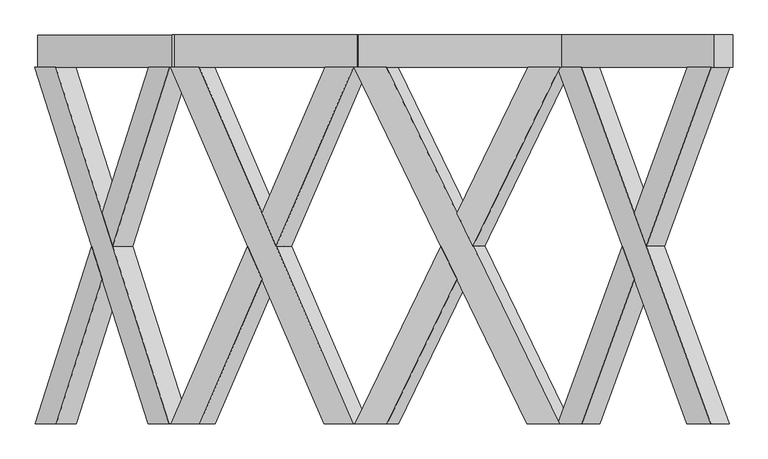
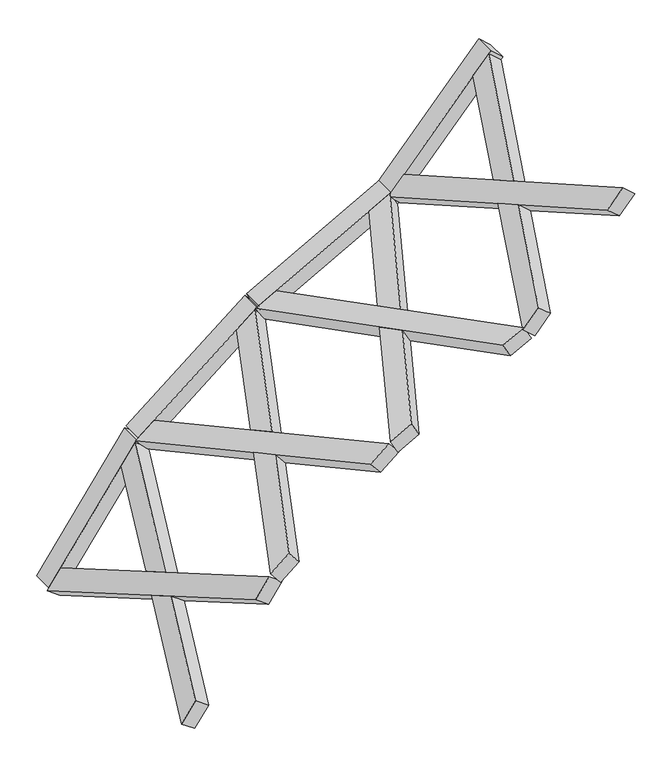
"""IFC4 building model written with IfcOpenShell, lengths in millimetres: proxy geometry."""

from ifc_helpers import new_model, si_unit, frame, origin, place, context, project, spatial, polyline, outline, extrude, faceted_brep, source, transform, mapped, element, save


def generic_models_58216fec(model_context):
    return source(origin(), model_context, "Body", "SolidModel", [
        faceted_brep([(4245.0146552, -100.0, 3854.0572182), (3437.8056563, -2319.6837757, 2925.4694878), (3287.7841044, -2319.6837757, 2752.889434), (4094.9931033, -100.0, 3681.4771644), (3174.5776674, -2319.6837757, 2851.2982884), (3324.5992193, -2319.6837757, 3023.8783421), (3651.637575, -1420.3854116, 3400.0929345), (3576.626799, -1214.1188776, 3313.8029076), (4131.8082182, -100.0, 3952.4660725), (3981.7866663, -100.0, 3779.8860188), (3651.637575, -1007.8523437, 3400.0929345), (3726.648351, -1214.1188776, 3486.3829613), (3633.2300176, -1214.1188776, 3264.5984804), (3708.2407935, -1007.8523437, 3350.8885073), (3783.2515695, -1214.1188776, 3437.1785342), (3708.2407935, -1420.3854116, 3350.8885073)], [[[0, 1, 2, 3]], [[4, 5, 6, 7]], [[8, 9, 10, 11]], [[0, 3, 9, 8]], [[3, 2, 4, 7, 12, 13, 10, 9]], [[2, 1, 5, 4]], [[1, 0, 8, 11, 14, 15, 6, 5]], [[12, 15, 14, 13]], [[13, 14, 11, 10]], [[15, 12, 7, 6]]]),
        faceted_brep([(3284.6733688, -100.0, 2749.3109421), (3434.6949207, -100.0, 2921.8909958), (3764.844012, -1007.8523437, 3301.6840801), (3689.8332361, -1214.1188776, 3215.3940533), (4241.9039197, -2319.6837757, 3850.4787262), (4091.8823678, -2319.6837757, 3677.8986725), (3764.844012, -1420.3854116, 3301.6840801), (3839.854788, -1214.1188776, 3387.974107), (3171.4669318, -100.0, 2847.7197965), (3978.6759307, -2319.6837757, 3776.3075269), (4128.6974826, -2319.6837757, 3948.8875806), (3321.4884837, -100.0, 3020.2998502), (3783.2515695, -1214.1188776, 3437.1785342), (3708.2407935, -1007.8523437, 3350.8885073), (3633.2300176, -1214.1188776, 3264.5984804), (3708.2407935, -1420.3854116, 3350.8885073)], [[[0, 1, 2, 3]], [[4, 5, 6, 7]], [[8, 9, 10, 11]], [[1, 0, 8, 11]], [[11, 10, 4, 7, 12, 13, 2, 1]], [[5, 4, 10, 9]], [[9, 8, 0, 3, 14, 15, 6, 5]], [[12, 15, 14, 13]], [[13, 14, 3, 2]], [[15, 12, 7, 6]]]),
        extrude(outline(polyline([(-148.3871943, 0.0), (-148.3871943, -149.9999999), (-348.3871943, -149.9999999), (-348.3871943, 0.0), (-148.3871943, 0.0)])), frame((3305.6026917, -248.3871943, 2773.387374), z_axis=(0.6560590289905103, 0.0, 0.7547095802227695), x_axis=(0.0, -1.0, 0.0)), (0.0, 0.0, 1.0), 1460.0),
        faceted_brep([(3260.7847673, -100.0, 2743.3729412), (2184.6607189, -2319.6837757, 2146.8676407), (1984.6607189, -2319.6837757, 2036.0058304), (3060.7847673, -100.0, 2632.5111309), (1911.9392759, -2319.6837757, 2167.1987865), (2111.9392759, -2319.6837757, 2278.0605968), (2547.9277743, -1420.3854116, 2519.7329678), (2447.9277743, -1214.1188776, 2464.3020627), (3188.0633243, -100.0, 2874.5658973), (2988.0633243, -100.0, 2763.704087), (2547.9277743, -1007.8523437, 2519.7329678), (2647.9277743, -1214.1188776, 2575.1638729), (2484.2884958, -1214.1188776, 2398.7055846), (2584.2884958, -1007.8523437, 2454.1364898), (2684.2884958, -1214.1188776, 2509.5673949), (2584.2884958, -1420.3854116, 2454.1364898)], [[[0, 1, 2, 3]], [[4, 5, 6, 7]], [[8, 9, 10, 11]], [[0, 3, 9, 8]], [[3, 2, 4, 7, 12, 13, 10, 9]], [[2, 1, 5, 4]], [[1, 0, 8, 11, 14, 15, 6, 5]], [[12, 15, 14, 13]], [[13, 14, 11, 10]], [[15, 12, 7, 6]]]),
        faceted_brep([(1980.5136673, -100.0, 2033.7070822), (2180.5136673, -100.0, 2144.5688925), (2620.6492173, -1007.8523437, 2388.5400117), (2520.6492173, -1214.1188776, 2333.1091066), (3256.6377157, -2319.6837757, 2741.074193), (3056.6377157, -2319.6837757, 2630.2123827), (2620.6492173, -1420.3854116, 2388.5400117), (2720.6492173, -1214.1188776, 2443.9709169), (1907.7922243, -100.0, 2164.9000383), (2983.9162727, -2319.6837757, 2761.4053388), (3183.9162727, -2319.6837757, 2872.2671491), (2107.7922243, -100.0, 2275.7618486), (2684.2884958, -1214.1188776, 2509.5673949), (2584.2884958, -1007.8523437, 2454.1364898), (2484.2884958, -1214.1188776, 2398.7055846), (2584.2884958, -1420.3854116, 2454.1364898)], [[[0, 1, 2, 3]], [[4, 5, 6, 7]], [[8, 9, 10, 11]], [[1, 0, 8, 11]], [[11, 10, 4, 7, 12, 13, 2, 1]], [[5, 4, 10, 9]], [[9, 8, 0, 3, 14, 15, 6, 5]], [[12, 15, 14, 13]], [[13, 14, 3, 2]], [[15, 12, 7, 6]]]),
        extrude(outline(polyline([(0.0, -200.0), (0.0, 0.0), (1460.0, 0.0), (1460.0, -200.0), (0.0, -200.0)])), frame((3285.3601947, -100.0, 2756.9953231), z_axis=(-0.48480962024633434, 0.0, 0.8746197071393974), x_axis=(-0.8746197071393974, 0.0, -0.48480962024633434)), (0.0, 0.0, 1.0), 150.0),
        faceted_brep([(1997.4171604, -100.0, 2038.800903), (1041.2239128, -2319.6837757, 1264.4908784), (863.5133135, -2319.6837757, 1120.5836726), (1819.7065612, -100.0, 1894.8936972), (769.1152549, -2319.6837757, 1237.1555668), (946.8258541, -2319.6837757, 1381.0627726), (1334.2247408, -1420.3854116, 1694.7722055), (1245.3694411, -1214.1188776, 1622.8186026), (1903.0191018, -100.0, 2155.3727972), (1725.3085025, -100.0, 2011.4655914), (1334.2247408, -1007.8523437, 1694.7722055), (1423.0800404, -1214.1188776, 1766.7258084), (1292.5684705, -1214.1188776, 1564.5326555), (1381.4237701, -1007.8523437, 1636.4862584), (1470.2790697, -1214.1188776, 1708.4398613), (1381.4237701, -1420.3854116, 1636.4862584)], [[[0, 1, 2, 3]], [[4, 5, 6, 7]], [[8, 9, 10, 11]], [[0, 3, 9, 8]], [[3, 2, 4, 7, 12, 13, 10, 9]], [[2, 1, 5, 4]], [[1, 0, 8, 11, 14, 15, 6, 5]], [[12, 15, 14, 13]], [[13, 14, 11, 10]], [[15, 12, 7, 6]]]),
        faceted_brep([(859.8284384, -100.0, 1117.5997196), (1037.5390377, -100.0, 1261.5069254), (1428.6227994, -1007.8523437, 1578.2003113), (1339.7674998, -1214.1188776, 1506.2467084), (1993.7322853, -2319.6837757, 2035.81695), (1816.0216861, -2319.6837757, 1891.9097442), (1428.6227994, -1420.3854116, 1578.2003113), (1517.4780991, -1214.1188776, 1650.1539142), (765.4303798, -100.0, 1234.1716138), (1721.6236274, -2319.6837757, 2008.4816384), (1899.3342267, -2319.6837757, 2152.3888442), (943.140979, -100.0, 1378.0788196), (1470.2790697, -1214.1188776, 1708.4398613), (1381.4237701, -1007.8523437, 1636.4862584), (1292.5684705, -1214.1188776, 1564.5326555), (1381.4237701, -1420.3854116, 1636.4862584)], [[[0, 1, 2, 3]], [[4, 5, 6, 7]], [[8, 9, 10, 11]], [[1, 0, 8, 11]], [[11, 10, 4, 7, 12, 13, 2, 1]], [[5, 4, 10, 9]], [[9, 8, 0, 3, 14, 15, 6, 5]], [[12, 15, 14, 13]], [[13, 14, 3, 2]], [[15, 12, 7, 6]]]),
        extrude(outline(polyline([(0.0, -200.0), (0.0, 0.0), (1460.0, 0.0), (1460.0, -200.0), (0.0, -200.0)])), frame((2019.2537301, -100.0, 2056.4838085), z_axis=(-0.6293203910498371, 0.0, 0.7771459614569713), x_axis=(-0.7771459614569713, 0.0, -0.6293203910498371)), (0.0, 0.0, 1.0), 150.0),
        faceted_brep([(882.7414117, -100.0, 1129.9268779), (177.0182366, -2319.6837757, 122.049732), (45.8580462, -2319.6837757, -65.2664324), (751.5812213, -100.0, 942.6107135), (-77.0147604, -2319.6837757, 20.7700331), (54.1454299, -2319.6837757, 208.0861975), (340.0671021, -1420.3854116, 616.4246637), (274.487007, -1214.1188776, 522.7665815), (759.868605, -100.0, 1215.9633433), (628.7084147, -100.0, 1028.6471789), (340.0671021, -1007.8523437, 616.4246637), (405.6471973, -1214.1188776, 710.0827459), (335.9234103, -1214.1188776, 479.7483488), (401.5035054, -1007.8523437, 573.406431), (467.0836006, -1214.1188776, 667.0645132), (401.5035054, -1420.3854116, 573.406431)], [[[0, 1, 2, 3]], [[4, 5, 6, 7]], [[8, 9, 10, 11]], [[0, 3, 9, 8]], [[3, 2, 4, 7, 12, 13, 10, 9]], [[2, 1, 5, 4]], [[1, 0, 8, 11, 14, 15, 6, 5]], [[12, 15, 14, 13]], [[13, 14, 11, 10]], [[15, 12, 7, 6]]]),
        faceted_brep([(43.1384059, -100.0, -69.1504813), (174.2985962, -100.0, 118.1656831), (462.9399088, -1007.8523437, 530.3881983), (397.3598136, -1214.1188776, 436.7301161), (880.0217713, -2319.6837757, 1126.0428289), (748.861581, -2319.6837757, 938.7266645), (462.9399088, -1420.3854116, 530.3881983), (528.5200039, -1214.1188776, 624.0462805), (-79.7344008, -100.0, 16.8859841), (625.9887743, -2319.6837757, 1024.76313), (757.1489647, -2319.6837757, 1212.0792944), (51.4257896, -100.0, 204.2021485), (467.0836006, -1214.1188776, 667.0645132), (401.5035054, -1007.8523437, 573.406431), (335.9234103, -1214.1188776, 479.7483488), (401.5035054, -1420.3854116, 573.406431)], [[[0, 1, 2, 3]], [[4, 5, 6, 7]], [[8, 9, 10, 11]], [[1, 0, 8, 11]], [[11, 10, 4, 7, 12, 13, 2, 1]], [[5, 4, 10, 9]], [[9, 8, 0, 3, 14, 15, 6, 5]], [[12, 15, 14, 13]], [[13, 14, 3, 2]], [[15, 12, 7, 6]]]),
        extrude(outline(polyline([(-148.3871943, 0.0), (-148.3871943, -149.9999999), (-348.3871943, -149.9999999), (-348.3871943, 0.0), (-148.3871943, 0.0)])), frame((61.4364033, -248.3871943, -43.0182327), z_axis=(0.5735764363510469, 0.0, 0.8191520442889914), x_axis=(0.0, -1.0, 0.0)), (0.0, 0.0, 1.0), 1460.0),
    ])


if __name__ == "__main__":
    model = new_model("IFC4")
    model_context = context("Model", 3, world=origin())
    ifc_project = project(units=[si_unit("LENGTHUNIT", "METRE", prefix="MILLI")], contexts=[model_context])
    site = spatial("IfcSite", under=ifc_project)
    building = spatial("IfcBuilding", under=site)
    placement = place(None, origin())
    generic_models_shape = generic_models_58216fec(model_context)
    element("IfcBuildingElementProxy", 1, Name="Generic Models", at=placement, inside=building, context=model_context, shape_type="MappedRepresentation", body=[
        mapped(generic_models_shape, transform((0.0, 0.0, 0.0), x_axis=(1.0, 0.0, 0.0), y_axis=(0.0, 1.0, 0.0), z_axis=(0.0, 0.0, 1.0))),
    ])
    save(model, "model.ifc")
